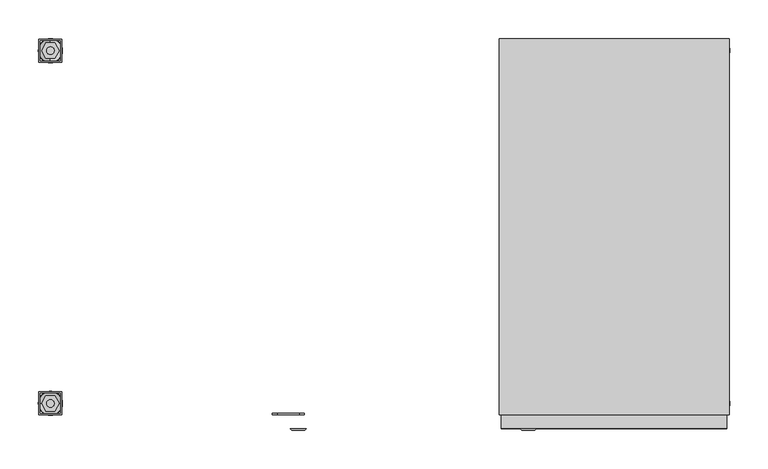
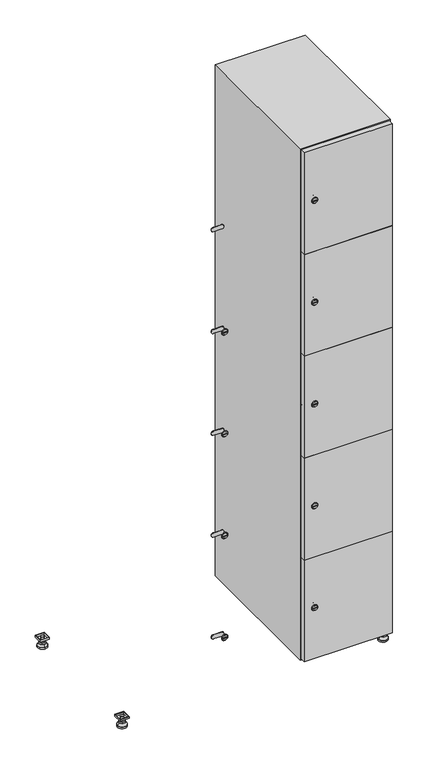
"""IFC4 building model written with IfcOpenShell, lengths in millimetres: furniture geometry."""

from ifc_helpers import new_model, si_unit, point, frame, frame_2d, origin, origin_with_axes, place, context, project, spatial, polyline, circle_curve, trimmed, segment, composite_curve, outline, extrude, faceted_brep, source, transform, mapped, element, save
from ifc_brep_helpers import plane_surface, revolved_surface, advanced_brep


def furniture_b8247e75(model_context):
    return source(origin(), model_context, "Body", "SolidModel", [
        extrude(outline(polyline([(700.0, 245.0), (700.0, 215.0), (670.0, 215.0), (670.0, 245.0), (700.0, 245.0)]), holes=[polyline([(698.0, 243.0), (672.0, 243.0), (672.0, 217.0), (698.0, 217.0), (698.0, 243.0)])]), frame((0.0, 0.0, 28.5), z_axis=(0.0, 0.0, 1.0), x_axis=(1.0, 0.0, 0.0)), (0.0, 0.0, 1.0), 6.5),
        extrude(outline(polyline([(670.0, -245.0), (670.0, -215.0), (700.0, -215.0), (700.0, -245.0), (670.0, -245.0)]), holes=[polyline([(672.0, -243.0), (698.0, -243.0), (698.0, -217.0), (672.0, -217.0), (672.0, -243.0)])]), frame((0.0, 0.0, 28.5), z_axis=(0.0, 0.0, 1.0), x_axis=(1.0, 0.0, 0.0)), (0.0, 0.0, 1.0), 6.5),
        extrude(outline(polyline([(-170.0, 245.0), (-170.0, 215.0), (-200.0, 215.0), (-200.0, 245.0), (-170.0, 245.0)]), holes=[polyline([(-172.0, 243.0), (-198.0, 243.0), (-198.0, 217.0), (-172.0, 217.0), (-172.0, 243.0)])]), frame((0.0, 0.0, 28.5), z_axis=(0.0, 0.0, 1.0), x_axis=(1.0, 0.0, 0.0)), (0.0, 0.0, 1.0), 6.5),
        extrude(outline(polyline([(-170.0, -215.0), (-170.0, -245.0), (-200.0, -245.0), (-200.0, -215.0), (-170.0, -215.0)]), holes=[polyline([(-198.0, -243.0), (-172.0, -243.0), (-172.0, -217.0), (-198.0, -217.0), (-198.0, -243.0)])]), frame((0.0, 0.0, 28.5), z_axis=(0.0, 0.0, 1.0), x_axis=(1.0, 0.0, 0.0)), (0.0, 0.0, 1.0), 6.5),
        extrude(outline(composite_curve([segment(trimmed(circle_curve(frame_2d((-185.0, 230.0)), 5.0), [point((-180.0, 230.0))], [point((-190.0, 230.0))], False, "CARTESIAN"), True, "CONTINUOUS"), segment(trimmed(circle_curve(frame_2d((-185.0, 230.0)), 5.0), [point((-190.0, 230.0))], [point((-180.0, 230.0))], False, "CARTESIAN"), True, "CONTINUOUS")], self_intersect=False)), frame((0.0, 0.0, 19.6), z_axis=(0.0, 0.0, 1.0), x_axis=(1.0, 0.0, 0.0)), (0.0, 0.0, 1.0), 15.4),
        extrude(outline(composite_curve([segment(trimmed(circle_curve(frame_2d((-185.0, -230.0)), 5.0), [point((-180.0, -230.0))], [point((-190.0, -230.0))], False, "CARTESIAN"), True, "CONTINUOUS"), segment(trimmed(circle_curve(frame_2d((-185.0, -230.0)), 5.0), [point((-190.0, -230.0))], [point((-180.0, -230.0))], False, "CARTESIAN"), True, "CONTINUOUS")], self_intersect=False)), frame((0.0, 0.0, 19.6), z_axis=(0.0, 0.0, 1.0), x_axis=(1.0, 0.0, 0.0)), (0.0, 0.0, 1.0), 15.4),
        extrude(outline(composite_curve([segment(trimmed(circle_curve(frame_2d((685.0, 230.0)), 5.0), [point((690.0, 230.0))], [point((680.0, 230.0))], False, "CARTESIAN"), True, "CONTINUOUS"), segment(trimmed(circle_curve(frame_2d((685.0, 230.0)), 5.0), [point((680.0, 230.0))], [point((690.0, 230.0))], False, "CARTESIAN"), True, "CONTINUOUS")], self_intersect=False)), frame((0.0, 0.0, 19.6), z_axis=(0.0, 0.0, 1.0), x_axis=(1.0, 0.0, 0.0)), (0.0, 0.0, 1.0), 15.4),
        extrude(outline(polyline([(673.4529946, 230.0), (679.2264973, 240.0), (690.7735027, 240.0), (696.5470054, 230.0), (690.7735027, 220.0), (679.2264973, 220.0), (673.4529946, 230.0)])), frame((0.0, 0.0, 13.6), z_axis=(0.0, 0.0, 1.0), x_axis=(1.0, 0.0, 0.0)), (0.0, 0.0, 1.0), 6.0),
        extrude(outline(composite_curve([segment(trimmed(circle_curve(frame_2d((685.0, -230.0)), 5.0), [point((690.0, -230.0))], [point((680.0, -230.0))], False, "CARTESIAN"), True, "CONTINUOUS"), segment(trimmed(circle_curve(frame_2d((685.0, -230.0)), 5.0), [point((680.0, -230.0))], [point((690.0, -230.0))], False, "CARTESIAN"), True, "CONTINUOUS")], self_intersect=False)), frame((0.0, 0.0, 19.6), z_axis=(0.0, 0.0, 1.0), x_axis=(1.0, 0.0, 0.0)), (0.0, 0.0, 1.0), 15.4),
        extrude(outline(polyline([(673.4529946, -230.0), (679.2264973, -220.0), (690.7735027, -220.0), (696.5470054, -230.0), (690.7735027, -240.0), (679.2264973, -240.0), (673.4529946, -230.0)])), frame((0.0, 0.0, 13.6), z_axis=(0.0, 0.0, 1.0), x_axis=(1.0, 0.0, 0.0)), (0.0, 0.0, 1.0), 6.0),
        extrude(outline(composite_curve([segment(trimmed(circle_curve(frame_2d((685.0, 230.0)), 5.0), [point((690.0, 230.0))], [point((680.0, 230.0))], False, "CARTESIAN"), True, "CONTINUOUS"), segment(trimmed(circle_curve(frame_2d((685.0, 230.0)), 5.0), [point((680.0, 230.0))], [point((690.0, 230.0))], False, "CARTESIAN"), True, "CONTINUOUS")], self_intersect=False)), frame((0.0, 0.0, 12.1), z_axis=(0.0, 0.0, 1.0), x_axis=(1.0, 0.0, 0.0)), (0.0, 0.0, 1.0), 1.5),
        extrude(outline(composite_curve([segment(trimmed(circle_curve(frame_2d((685.0, -230.0)), 5.0), [point((690.0, -230.0))], [point((680.0, -230.0))], False, "CARTESIAN"), True, "CONTINUOUS"), segment(trimmed(circle_curve(frame_2d((685.0, -230.0)), 5.0), [point((680.0, -230.0))], [point((690.0, -230.0))], False, "CARTESIAN"), True, "CONTINUOUS")], self_intersect=False)), frame((0.0, 0.0, 12.1), z_axis=(0.0, 0.0, 1.0), x_axis=(1.0, 0.0, 0.0)), (0.0, 0.0, 1.0), 1.5),
        extrude(outline(polyline([(-196.5470054, 230.0), (-190.7735027, 240.0), (-179.2264973, 240.0), (-173.4529946, 230.0), (-179.2264973, 220.0), (-190.7735027, 220.0), (-196.5470054, 230.0)])), frame((0.0, 0.0, 13.6), z_axis=(0.0, 0.0, 1.0), x_axis=(1.0, 0.0, 0.0)), (0.0, 0.0, 1.0), 6.0),
        extrude(outline(polyline([(-196.5470054, -230.0), (-190.7735027, -220.0), (-179.2264973, -220.0), (-173.4529946, -230.0), (-179.2264973, -240.0), (-190.7735027, -240.0), (-196.5470054, -230.0)])), frame((0.0, 0.0, 13.6), z_axis=(0.0, 0.0, 1.0), x_axis=(1.0, 0.0, 0.0)), (0.0, 0.0, 1.0), 6.0),
        extrude(outline(composite_curve([segment(trimmed(circle_curve(frame_2d((-185.0, 230.0)), 5.0), [point((-185.0, 235.0))], [point((-185.0, 225.0))], False, "CARTESIAN"), True, "CONTINUOUS"), segment(trimmed(circle_curve(frame_2d((-185.0, 230.0)), 5.0), [point((-185.0, 225.0))], [point((-185.0, 235.0))], False, "CARTESIAN"), True, "CONTINUOUS")], self_intersect=False)), frame((0.0, 0.0, 12.1), z_axis=(0.0, 0.0, 1.0), x_axis=(1.0, 0.0, 0.0)), (0.0, 0.0, 1.0), 1.5),
        extrude(outline(composite_curve([segment(trimmed(circle_curve(frame_2d((-185.0, -230.0)), 5.0), [point((-180.0, -230.0))], [point((-190.0, -230.0))], False, "CARTESIAN"), True, "CONTINUOUS"), segment(trimmed(circle_curve(frame_2d((-185.0, -230.0)), 5.0), [point((-190.0, -230.0))], [point((-180.0, -230.0))], False, "CARTESIAN"), True, "CONTINUOUS")], self_intersect=False)), frame((0.0, 0.0, 12.1), z_axis=(0.0, 0.0, 1.0), x_axis=(1.0, 0.0, 0.0)), (0.0, 0.0, 1.0), 1.5),
        extrude(outline(composite_curve([segment(trimmed(circle_curve(frame_2d((685.0, 230.0)), 15.75), [point((700.75, 230.0))], [point((669.25, 230.0))], False, "CARTESIAN"), True, "CONTINUOUS"), segment(trimmed(circle_curve(frame_2d((685.0, 230.0)), 15.75), [point((669.25, 230.0))], [point((700.75, 230.0))], False, "CARTESIAN"), True, "CONTINUOUS")], self_intersect=False)), origin_with_axes(), (0.0, 0.0, 1.0), 5.1),
        extrude(outline(composite_curve([segment(trimmed(circle_curve(frame_2d((685.0, -230.0)), 15.75), [point((685.0, -214.25))], [point((685.0, -245.75))], False, "CARTESIAN"), True, "CONTINUOUS"), segment(trimmed(circle_curve(frame_2d((685.0, -230.0)), 15.75), [point((685.0, -245.75))], [point((685.0, -214.25))], False, "CARTESIAN"), True, "CONTINUOUS")], self_intersect=False)), origin_with_axes(), (0.0, 0.0, 1.0), 5.1),
        extrude(outline(composite_curve([segment(trimmed(circle_curve(frame_2d((-185.0, -230.0)), 15.75), [point((-169.25, -230.0))], [point((-200.75, -230.0))], False, "CARTESIAN"), True, "CONTINUOUS"), segment(trimmed(circle_curve(frame_2d((-185.0, -230.0)), 15.75), [point((-200.75, -230.0))], [point((-169.25, -230.0))], False, "CARTESIAN"), True, "CONTINUOUS")], self_intersect=False)), origin_with_axes(), (0.0, 0.0, 1.0), 5.1),
        extrude(outline(composite_curve([segment(trimmed(circle_curve(frame_2d((-185.0, 230.0)), 15.75), [point((-169.25, 230.0))], [point((-200.75, 230.0))], False, "CARTESIAN"), True, "CONTINUOUS"), segment(trimmed(circle_curve(frame_2d((-185.0, 230.0)), 15.75), [point((-200.75, 230.0))], [point((-169.25, 230.0))], False, "CARTESIAN"), True, "CONTINUOUS")], self_intersect=False)), origin_with_axes(), (0.0, 0.0, 1.0), 5.1),
        advanced_brep(
        [(-185.0, 239.5, 12.1), (-185.0, 220.5, 12.1), (-185.0, 214.25, 5.1), (-185.0, 245.75, 5.1)],
        [
            (0, 1, circle_curve(frame((-185.0, 230.0, 12.1), z_axis=(0.0, 0.0, -1.0), x_axis=(0.0, 1.0, 0.0)), 9.5)),
            (1, 2),
            (2, 3, circle_curve(frame((-185.0, 230.0, 5.1), z_axis=(0.0, 0.0, 1.0), x_axis=(0.0, 1.0, 0.0)), 15.75)),
            (3, 0),
            (1, 0, circle_curve(frame((-185.0, 230.0, 12.1), z_axis=(0.0, 0.0, -1.0), x_axis=(0.0, -1.0, 0.0)), 9.5)),
            (3, 2, circle_curve(frame((-185.0, 230.0, 5.1), z_axis=(0.0, 0.0, 1.0), x_axis=(0.0, -1.0, 0.0)), 15.75)),
        ],
        [
            revolved_surface(polyline([(-185.0, 220.5, 12.099999999999998), (-185.0, 214.25, 5.099999999999998)]), (-185.0, 230.0, 22.74), (0.0, 0.0, -1.0)),
            revolved_surface(polyline([(-185.0, 239.5, 12.099999999999998), (-185.0, 245.75, 5.099999999999998)]), (-185.0, 230.0, 22.74), (0.0, 0.0, -1.0)),
            plane_surface(frame((-185.0, 230.0, 5.1), z_axis=(0.0, 0.0, -1.0), x_axis=(1.0, 0.0, 0.0))),
            plane_surface(frame((-185.0, 230.0, 12.1), z_axis=(0.0, 0.0, 1.0), x_axis=(1.0, 0.0, 0.0))),
        ],
        [
            (0, [[1, 2, 3, 4]]),
            (1, [[5, -4, 6, -2]]),
            (2, [[-3, -6]]),
            (3, [[-5, -1]]),
        ],
    ),
        advanced_brep(
        [(685.0, 239.5, 12.1), (685.0, 220.5, 12.1), (685.0, 214.25, 5.1), (685.0, 245.75, 5.1)],
        [
            (0, 1, circle_curve(frame((685.0, 230.0, 12.1), z_axis=(0.0, 0.0, -1.0), x_axis=(0.0, 1.0, 0.0)), 9.5)),
            (1, 2),
            (2, 3, circle_curve(frame((685.0, 230.0, 5.1), z_axis=(0.0, 0.0, 1.0), x_axis=(0.0, 1.0, 0.0)), 15.75)),
            (3, 0),
            (1, 0, circle_curve(frame((685.0, 230.0, 12.1), z_axis=(0.0, 0.0, -1.0), x_axis=(0.0, -1.0, 0.0)), 9.5)),
            (3, 2, circle_curve(frame((685.0, 230.0, 5.1), z_axis=(0.0, 0.0, 1.0), x_axis=(0.0, -1.0, 0.0)), 15.75)),
        ],
        [
            revolved_surface(polyline([(685.0, 220.5, 12.099999999999998), (685.0, 214.25, 5.099999999999998)]), (685.0, 230.0, 22.74), (0.0, 0.0, -1.0)),
            revolved_surface(polyline([(685.0, 239.5, 12.099999999999998), (685.0, 245.75, 5.099999999999998)]), (685.0, 230.0, 22.74), (0.0, 0.0, -1.0)),
            plane_surface(frame((685.0, 230.0, 5.1), z_axis=(0.0, 0.0, -1.0), x_axis=(1.0, 0.0, 0.0))),
            plane_surface(frame((685.0, 230.0, 12.1), z_axis=(0.0, 0.0, 1.0), x_axis=(1.0, 0.0, 0.0))),
        ],
        [
            (0, [[1, 2, 3, 4]]),
            (1, [[5, -4, 6, -2]]),
            (2, [[-3, -6]]),
            (3, [[-5, -1]]),
        ],
    ),
        advanced_brep(
        [(700.75, -230.0, 5.1), (669.25, -230.0, 5.1), (675.5, -230.0, 12.1), (694.5, -230.0, 12.1)],
        [
            (0, 1, circle_curve(frame((685.0, -230.0, 5.1), z_axis=(0.0, 0.0, 1.0), x_axis=(1.0, 0.0, 0.0)), 15.75)),
            (1, 2),
            (2, 3, circle_curve(frame((685.0, -230.0, 12.1), z_axis=(0.0, 0.0, -1.0), x_axis=(1.0, 0.0, 0.0)), 9.5)),
            (3, 0),
            (1, 0, circle_curve(frame((685.0, -230.0, 5.1), z_axis=(0.0, 0.0, 1.0), x_axis=(-1.0, 0.0, 0.0)), 15.75)),
            (3, 2, circle_curve(frame((685.0, -230.0, 12.1), z_axis=(0.0, 0.0, -1.0), x_axis=(-1.0, 0.0, 0.0)), 9.5)),
        ],
        [
            revolved_surface(polyline([(694.5, -230.0, 12.099999999999998), (700.75, -230.0, 5.099999999999998)]), (685.0, -230.0, 22.74), (0.0, 0.0, -1.0)),
            revolved_surface(polyline([(675.5, -230.0, 12.099999999999998), (669.25, -230.0, 5.099999999999998)]), (685.0, -230.0, 22.74), (0.0, 0.0, -1.0)),
            plane_surface(frame((685.0, -230.0, 12.1), z_axis=(0.0, 0.0, 1.0), x_axis=(0.0, 1.0, 0.0))),
            plane_surface(frame((685.0, -230.0, 5.1), z_axis=(0.0, 0.0, -1.0), x_axis=(0.0, 1.0, 0.0))),
        ],
        [
            (0, [[1, 2, 3, 4]]),
            (1, [[5, -4, 6, -2]]),
            (2, [[-3, -6]]),
            (3, [[-5, -1]]),
        ],
    ),
        advanced_brep(
        [(-169.25, -230.0, 5.1), (-200.75, -230.0, 5.1), (-194.5, -230.0, 12.1), (-175.5, -230.0, 12.1)],
        [
            (0, 1, circle_curve(frame((-185.0, -230.0, 5.1), z_axis=(0.0, 0.0, 1.0), x_axis=(1.0, 0.0, 0.0)), 15.75)),
            (1, 2),
            (2, 3, circle_curve(frame((-185.0, -230.0, 12.1), z_axis=(0.0, 0.0, -1.0), x_axis=(1.0, 0.0, 0.0)), 9.5)),
            (3, 0),
            (1, 0, circle_curve(frame((-185.0, -230.0, 5.1), z_axis=(0.0, 0.0, 1.0), x_axis=(-1.0, 0.0, 0.0)), 15.75)),
            (3, 2, circle_curve(frame((-185.0, -230.0, 12.1), z_axis=(0.0, 0.0, -1.0), x_axis=(-1.0, 0.0, 0.0)), 9.5)),
        ],
        [
            revolved_surface(polyline([(-175.5, -230.0, 12.099999999999998), (-169.25, -230.0, 5.099999999999998)]), (-185.0, -230.0, 22.74), (0.0, 0.0, -1.0)),
            revolved_surface(polyline([(-194.5, -230.0, 12.099999999999998), (-200.75, -230.0, 5.099999999999998)]), (-185.0, -230.0, 22.74), (0.0, 0.0, -1.0)),
            plane_surface(frame((-185.0, -230.0, 12.1), z_axis=(0.0, 0.0, 1.0), x_axis=(0.0, 1.0, 0.0))),
            plane_surface(frame((-185.0, -230.0, 5.1), z_axis=(0.0, 0.0, -1.0), x_axis=(0.0, 1.0, 0.0))),
        ],
        [
            (0, [[1, 2, 3, 4]]),
            (1, [[5, -4, 6, -2]]),
            (2, [[-3, -6]]),
            (3, [[-5, -1]]),
        ],
    ),
        extrude(outline(composite_curve([segment(trimmed(circle_curve(frame_2d((217.4, 411.2010534)), 7.0), [point((224.4, 411.2010534))], [point((210.4, 411.2010534))], False, "CARTESIAN"), True, "CONTINUOUS"), segment(polyline([(210.4, 411.2010534), (210.4, 439.2010534)]), True, "CONTINUOUS"), segment(trimmed(circle_curve(frame_2d((217.4, 439.2010534)), 7.0), [point((210.4, 439.2010534))], [point((224.4, 439.2010534))], False, "CARTESIAN"), True, "CONTINUOUS"), segment(polyline([(224.4, 439.2010534), (224.4, 411.2010534)]), True, "CONTINUOUS")], self_intersect=False)), frame((0.0, -245.0, 0.0), z_axis=(0.0, 1.0, 0.0), x_axis=(0.0, 0.0, 1.0)), (0.0, 0.0, 1.0), 2.0),
        advanced_brep(
        [(446.5, -265.2, 217.4), (429.5, -265.2, 217.4), (433.0, -265.2, 216.15), (433.0, -265.2, 218.65), (443.0, -265.2, 218.65), (443.0, -265.2, 216.15), (448.5, -263.0, 217.4), (427.5, -263.0, 217.4), (433.0, -263.0, 218.65), (433.0, -263.0, 216.15), (443.0, -263.0, 216.15), (443.0, -263.0, 218.65)],
        [
            (0, 1, circle_curve(frame((438.0, -265.2, 217.4), z_axis=(0.0, -1.0, 0.0), x_axis=(1.0, 0.0, 0.0)), 8.5)),
            (1, 0, circle_curve(frame((438.0, -265.2, 217.4), z_axis=(0.0, -1.0, 0.0), x_axis=(-1.0, 0.0, 0.0)), 8.5)),
            (2, 3),
            (3, 4),
            (4, 5),
            (5, 2),
            (6, 7, circle_curve(frame((438.0, -263.0, 217.4), z_axis=(0.0, 1.0, 0.0), x_axis=(-1.0, 0.0, 0.0)), 10.5)),
            (7, 6, circle_curve(frame((438.0, -263.0, 217.4), z_axis=(0.0, 1.0, 0.0), x_axis=(1.0, 0.0, 0.0)), 10.5)),
            (8, 9),
            (9, 10),
            (10, 11),
            (11, 8),
            (0, 6),
            (7, 1),
            (8, 3),
            (2, 9),
            (11, 4),
            (10, 5),
        ],
        [
            plane_surface(frame((438.0, -265.2, 217.4), z_axis=(0.0, -1.0, 0.0), x_axis=(0.0, 0.0, 1.0))),
            plane_surface(frame((438.0, -263.0, 217.4), z_axis=(0.0, 1.0, 0.0), x_axis=(0.0, 0.0, 1.0))),
            revolved_surface(polyline([(446.5, -265.2, 217.4), (448.5, -263.0, 217.4)]), (438.0, -274.55, 217.4), (0.0, 1.0, 0.0)),
            revolved_surface(polyline([(429.5, -265.2, 217.4), (427.5, -263.0, 217.4)]), (438.0, -274.55, 217.4), (0.0, 1.0, 0.0)),
            plane_surface(frame((433.0, -263.0, 216.15), z_axis=(1.0, 0.0, 0.0), x_axis=(0.0, -1.0, 0.0))),
            plane_surface(frame((433.0, -263.0, 218.65), z_axis=(0.0, 0.0, -1.0), x_axis=(0.0, -1.0, 0.0))),
            plane_surface(frame((443.0, -263.0, 218.65), z_axis=(-1.0, 0.0, 0.0), x_axis=(0.0, -1.0, 0.0))),
            plane_surface(frame((443.0, -263.0, 216.15), z_axis=(0.0, 0.0, 1.0), x_axis=(0.0, -1.0, 0.0))),
        ],
        [
            (0, [[1, 2], [3, 4, 5, 6]]),
            (1, [[7, 8], [9, 10, 11, 12]]),
            (2, [[-1, 13, -8, 14]]),
            (3, [[-2, -14, -7, -13]]),
            (4, [[15, -3, 16, -9]]),
            (5, [[-15, -12, 17, -4]]),
            (6, [[-17, -11, 18, -5]]),
            (7, [[-16, -6, -18, -10]]),
        ],
    ),
        extrude(outline(composite_curve([segment(trimmed(circle_curve(frame_2d((576.2, 411.2010534)), 7.0), [point((583.2, 411.2010534))], [point((569.2, 411.2010534))], False, "CARTESIAN"), True, "CONTINUOUS"), segment(polyline([(569.2, 411.2010534), (569.2, 439.2010534)]), True, "CONTINUOUS"), segment(trimmed(circle_curve(frame_2d((576.2, 439.2010534)), 7.0), [point((569.2, 439.2010534))], [point((583.2, 439.2010534))], False, "CARTESIAN"), True, "CONTINUOUS"), segment(polyline([(583.2, 439.2010534), (583.2, 411.2010534)]), True, "CONTINUOUS")], self_intersect=False)), frame((0.0, -245.0, 0.0), z_axis=(0.0, 1.0, 0.0), x_axis=(0.0, 0.0, 1.0)), (0.0, 0.0, 1.0), 2.0),
        advanced_brep(
        [(446.5, -265.2, 576.2), (429.5, -265.2, 576.2), (433.0, -265.2, 574.95), (433.0, -265.2, 577.45), (443.0, -265.2, 577.45), (443.0, -265.2, 574.95), (448.5, -263.0, 576.2), (427.5, -263.0, 576.2), (433.0, -263.0, 577.45), (433.0, -263.0, 574.95), (443.0, -263.0, 574.95), (443.0, -263.0, 577.45)],
        [
            (0, 1, circle_curve(frame((438.0, -265.2, 576.2), z_axis=(0.0, -1.0, 0.0), x_axis=(1.0, 0.0, 0.0)), 8.5)),
            (1, 0, circle_curve(frame((438.0, -265.2, 576.2), z_axis=(0.0, -1.0, 0.0), x_axis=(-1.0, 0.0, 0.0)), 8.5)),
            (2, 3),
            (3, 4),
            (4, 5),
            (5, 2),
            (6, 7, circle_curve(frame((438.0, -263.0, 576.2), z_axis=(0.0, 1.0, 0.0), x_axis=(-1.0, 0.0, 0.0)), 10.5)),
            (7, 6, circle_curve(frame((438.0, -263.0, 576.2), z_axis=(0.0, 1.0, 0.0), x_axis=(1.0, 0.0, 0.0)), 10.5)),
            (8, 9),
            (9, 10),
            (10, 11),
            (11, 8),
            (0, 6),
            (7, 1),
            (8, 3),
            (2, 9),
            (11, 4),
            (10, 5),
        ],
        [
            plane_surface(frame((438.0, -265.2, 576.2), z_axis=(0.0, -1.0, 0.0), x_axis=(0.0, 0.0, 1.0))),
            plane_surface(frame((438.0, -263.0, 576.2), z_axis=(0.0, 1.0, 0.0), x_axis=(0.0, 0.0, 1.0))),
            revolved_surface(polyline([(446.5, -265.2, 576.2), (448.5, -263.0, 576.2)]), (438.0, -274.55, 576.2), (0.0, 1.0, 0.0)),
            revolved_surface(polyline([(429.5, -265.2, 576.2), (427.5, -263.0, 576.2)]), (438.0, -274.55, 576.2), (0.0, 1.0, 0.0)),
            plane_surface(frame((433.0, -263.0, 574.95), z_axis=(1.0, 0.0, 0.0), x_axis=(0.0, -1.0, 0.0))),
            plane_surface(frame((433.0, -263.0, 577.45), z_axis=(0.0, 0.0, -1.0), x_axis=(0.0, -1.0, 0.0))),
            plane_surface(frame((443.0, -263.0, 577.45), z_axis=(-1.0, 0.0, 0.0), x_axis=(0.0, -1.0, 0.0))),
            plane_surface(frame((443.0, -263.0, 574.95), z_axis=(0.0, 0.0, 1.0), x_axis=(0.0, -1.0, 0.0))),
        ],
        [
            (0, [[1, 2], [3, 4, 5, 6]]),
            (1, [[7, 8], [9, 10, 11, 12]]),
            (2, [[-1, 13, -8, 14]]),
            (3, [[-2, -14, -7, -13]]),
            (4, [[15, -3, 16, -9]]),
            (5, [[-15, -12, 17, -4]]),
            (6, [[-17, -11, 18, -5]]),
            (7, [[-16, -6, -18, -10]]),
        ],
    ),
        extrude(outline(composite_curve([segment(trimmed(circle_curve(frame_2d((935.0, 411.2010534)), 7.0), [point((942.0, 411.2010534))], [point((928.0, 411.2010534))], False, "CARTESIAN"), True, "CONTINUOUS"), segment(polyline([(928.0, 411.2010534), (928.0, 439.2010534)]), True, "CONTINUOUS"), segment(trimmed(circle_curve(frame_2d((935.0, 439.2010534)), 7.0), [point((928.0, 439.2010534))], [point((942.0, 439.2010534))], False, "CARTESIAN"), True, "CONTINUOUS"), segment(polyline([(942.0, 439.2010534), (942.0, 411.2010534)]), True, "CONTINUOUS")], self_intersect=False)), frame((0.0, -245.0, 0.0), z_axis=(0.0, 1.0, 0.0), x_axis=(0.0, 0.0, 1.0)), (0.0, 0.0, 1.0), 2.0),
        advanced_brep(
        [(446.5, -265.2, 935.0), (429.5, -265.2, 935.0), (433.0, -265.2, 933.75), (433.0, -265.2, 936.25), (443.0, -265.2, 936.25), (443.0, -265.2, 933.75), (448.5, -263.0, 935.0), (427.5, -263.0, 935.0), (433.0, -263.0, 936.25), (433.0, -263.0, 933.75), (443.0, -263.0, 933.75), (443.0, -263.0, 936.25)],
        [
            (0, 1, circle_curve(frame((438.0, -265.2, 935.0), z_axis=(0.0, -1.0, 0.0), x_axis=(1.0, 0.0, 0.0)), 8.5)),
            (1, 0, circle_curve(frame((438.0, -265.2, 935.0), z_axis=(0.0, -1.0, 0.0), x_axis=(-1.0, 0.0, 0.0)), 8.5)),
            (2, 3),
            (3, 4),
            (4, 5),
            (5, 2),
            (6, 7, circle_curve(frame((438.0, -263.0, 935.0), z_axis=(0.0, 1.0, 0.0), x_axis=(-1.0, 0.0, 0.0)), 10.5)),
            (7, 6, circle_curve(frame((438.0, -263.0, 935.0), z_axis=(0.0, 1.0, 0.0), x_axis=(1.0, 0.0, 0.0)), 10.5)),
            (8, 9),
            (9, 10),
            (10, 11),
            (11, 8),
            (0, 6),
            (7, 1),
            (8, 3),
            (2, 9),
            (11, 4),
            (10, 5),
        ],
        [
            plane_surface(frame((438.0, -265.2, 935.0), z_axis=(0.0, -1.0, 0.0), x_axis=(0.0, 0.0, 1.0))),
            plane_surface(frame((438.0, -263.0, 935.0), z_axis=(0.0, 1.0, 0.0), x_axis=(0.0, 0.0, 1.0))),
            revolved_surface(polyline([(446.5, -265.2, 935.0), (448.5, -263.0, 935.0)]), (438.0, -274.55, 935.0), (0.0, 1.0, 0.0)),
            revolved_surface(polyline([(429.5, -265.2, 935.0), (427.5, -263.0, 935.0)]), (438.0, -274.55, 935.0), (0.0, 1.0, 0.0)),
            plane_surface(frame((433.0, -263.0, 933.75), z_axis=(1.0, 0.0, 0.0), x_axis=(0.0, -1.0, 0.0))),
            plane_surface(frame((433.0, -263.0, 936.25), z_axis=(0.0, 0.0, -1.0), x_axis=(0.0, -1.0, 0.0))),
            plane_surface(frame((443.0, -263.0, 936.25), z_axis=(-1.0, 0.0, 0.0), x_axis=(0.0, -1.0, 0.0))),
            plane_surface(frame((443.0, -263.0, 933.75), z_axis=(0.0, 0.0, 1.0), x_axis=(0.0, -1.0, 0.0))),
        ],
        [
            (0, [[1, 2], [3, 4, 5, 6]]),
            (1, [[7, 8], [9, 10, 11, 12]]),
            (2, [[-1, 13, -8, 14]]),
            (3, [[-2, -14, -7, -13]]),
            (4, [[15, -3, 16, -9]]),
            (5, [[-15, -12, 17, -4]]),
            (6, [[-17, -11, 18, -5]]),
            (7, [[-16, -6, -18, -10]]),
        ],
    ),
        extrude(outline(composite_curve([segment(trimmed(circle_curve(frame_2d((1293.8, 411.2010534)), 7.0), [point((1300.8, 411.2010534))], [point((1286.8, 411.2010534))], False, "CARTESIAN"), True, "CONTINUOUS"), segment(polyline([(1286.8, 411.2010534), (1286.8, 439.2010534)]), True, "CONTINUOUS"), segment(trimmed(circle_curve(frame_2d((1293.8, 439.2010534)), 7.0), [point((1286.8, 439.2010534))], [point((1300.8, 439.2010534))], False, "CARTESIAN"), True, "CONTINUOUS"), segment(polyline([(1300.8, 439.2010534), (1300.8, 411.2010534)]), True, "CONTINUOUS")], self_intersect=False)), frame((0.0, -245.0, 0.0), z_axis=(0.0, 1.0, 0.0), x_axis=(0.0, 0.0, 1.0)), (0.0, 0.0, 1.0), 2.0),
        advanced_brep(
        [(446.5, -265.2, 1293.8), (429.5, -265.2, 1293.8), (433.0, -265.2, 1292.55), (433.0, -265.2, 1295.05), (443.0, -265.2, 1295.05), (443.0, -265.2, 1292.55), (448.5, -263.0, 1293.8), (427.5, -263.0, 1293.8), (433.0, -263.0, 1295.05), (433.0, -263.0, 1292.55), (443.0, -263.0, 1292.55), (443.0, -263.0, 1295.05)],
        [
            (0, 1, circle_curve(frame((438.0, -265.2, 1293.8), z_axis=(0.0, -1.0, 0.0), x_axis=(1.0, 0.0, 0.0)), 8.5)),
            (1, 0, circle_curve(frame((438.0, -265.2, 1293.8), z_axis=(0.0, -1.0, 0.0), x_axis=(-1.0, 0.0, 0.0)), 8.5)),
            (2, 3),
            (3, 4),
            (4, 5),
            (5, 2),
            (6, 7, circle_curve(frame((438.0, -263.0, 1293.8), z_axis=(0.0, 1.0, 0.0), x_axis=(-1.0, 0.0, 0.0)), 10.5)),
            (7, 6, circle_curve(frame((438.0, -263.0, 1293.8), z_axis=(0.0, 1.0, 0.0), x_axis=(1.0, 0.0, 0.0)), 10.5)),
            (8, 9),
            (9, 10),
            (10, 11),
            (11, 8),
            (0, 6),
            (7, 1),
            (8, 3),
            (2, 9),
            (11, 4),
            (10, 5),
        ],
        [
            plane_surface(frame((438.0, -265.2, 1293.8), z_axis=(0.0, -1.0, 0.0), x_axis=(0.0, 0.0, 1.0))),
            plane_surface(frame((438.0, -263.0, 1293.8), z_axis=(0.0, 1.0, 0.0), x_axis=(0.0, 0.0, 1.0))),
            revolved_surface(polyline([(446.5, -265.2, 1293.8), (448.5, -263.0, 1293.8)]), (438.0, -274.55, 1293.8), (0.0, 1.0, 0.0)),
            revolved_surface(polyline([(429.5, -265.2, 1293.8), (427.5, -263.0, 1293.8)]), (438.0, -274.55, 1293.8), (0.0, 1.0, 0.0)),
            plane_surface(frame((433.0, -263.0, 1292.55), z_axis=(1.0, 0.0, 0.0), x_axis=(0.0, -1.0, 0.0))),
            plane_surface(frame((433.0, -263.0, 1295.05), z_axis=(0.0, 0.0, -1.0), x_axis=(0.0, -1.0, 0.0))),
            plane_surface(frame((443.0, -263.0, 1295.05), z_axis=(-1.0, 0.0, 0.0), x_axis=(0.0, -1.0, 0.0))),
            plane_surface(frame((443.0, -263.0, 1292.55), z_axis=(0.0, 0.0, 1.0), x_axis=(0.0, -1.0, 0.0))),
        ],
        [
            (0, [[1, 2], [3, 4, 5, 6]]),
            (1, [[7, 8], [9, 10, 11, 12]]),
            (2, [[-1, 13, -8, 14]]),
            (3, [[-2, -14, -7, -13]]),
            (4, [[15, -3, 16, -9]]),
            (5, [[-15, -12, 17, -4]]),
            (6, [[-17, -11, 18, -5]]),
            (7, [[-16, -6, -18, -10]]),
        ],
    ),
        extrude(outline(composite_curve([segment(trimmed(circle_curve(frame_2d((1652.6, 411.2010534)), 7.0), [point((1659.6, 411.2010534))], [point((1645.6, 411.2010534))], False, "CARTESIAN"), True, "CONTINUOUS"), segment(polyline([(1645.6, 411.2010534), (1645.6, 439.2010534)]), True, "CONTINUOUS"), segment(trimmed(circle_curve(frame_2d((1652.6, 439.2010534)), 7.0), [point((1645.6, 439.2010534))], [point((1659.6, 439.2010534))], False, "CARTESIAN"), True, "CONTINUOUS"), segment(polyline([(1659.6, 439.2010534), (1659.6, 411.2010534)]), True, "CONTINUOUS")], self_intersect=False)), frame((0.0, -245.0, 0.0), z_axis=(0.0, 1.0, 0.0), x_axis=(0.0, 0.0, 1.0)), (0.0, 0.0, 1.0), 2.0),
        advanced_brep(
        [(446.5, -265.2, 1652.6), (429.5, -265.2, 1652.6), (433.0, -265.2, 1651.35), (433.0, -265.2, 1653.85), (443.0, -265.2, 1653.85), (443.0, -265.2, 1651.35), (448.5, -263.0, 1652.6), (427.5, -263.0, 1652.6), (433.0, -263.0, 1653.85), (433.0, -263.0, 1651.35), (443.0, -263.0, 1651.35), (443.0, -263.0, 1653.85)],
        [
            (0, 1, circle_curve(frame((438.0, -265.2, 1652.6), z_axis=(0.0, -1.0, 0.0), x_axis=(1.0, 0.0, 0.0)), 8.5)),
            (1, 0, circle_curve(frame((438.0, -265.2, 1652.6), z_axis=(0.0, -1.0, 0.0), x_axis=(-1.0, 0.0, 0.0)), 8.5)),
            (2, 3),
            (3, 4),
            (4, 5),
            (5, 2),
            (6, 7, circle_curve(frame((438.0, -263.0, 1652.6), z_axis=(0.0, 1.0, 0.0), x_axis=(-1.0, 0.0, 0.0)), 10.5)),
            (7, 6, circle_curve(frame((438.0, -263.0, 1652.6), z_axis=(0.0, 1.0, 0.0), x_axis=(1.0, 0.0, 0.0)), 10.5)),
            (8, 9),
            (9, 10),
            (10, 11),
            (11, 8),
            (0, 6),
            (7, 1),
            (8, 3),
            (2, 9),
            (11, 4),
            (10, 5),
        ],
        [
            plane_surface(frame((438.0, -265.2, 1652.6), z_axis=(0.0, -1.0, 0.0), x_axis=(0.0, 0.0, 1.0))),
            plane_surface(frame((438.0, -263.0, 1652.6), z_axis=(0.0, 1.0, 0.0), x_axis=(0.0, 0.0, 1.0))),
            revolved_surface(polyline([(446.5, -265.2, 1652.6), (448.5, -263.0, 1652.6)]), (438.0, -274.55, 1652.6), (0.0, 1.0, 0.0)),
            revolved_surface(polyline([(429.5, -265.2, 1652.6), (427.5, -263.0, 1652.6)]), (438.0, -274.55, 1652.6), (0.0, 1.0, 0.0)),
            plane_surface(frame((433.0, -263.0, 1651.35), z_axis=(1.0, 0.0, 0.0), x_axis=(0.0, -1.0, 0.0))),
            plane_surface(frame((433.0, -263.0, 1653.85), z_axis=(0.0, 0.0, -1.0), x_axis=(0.0, -1.0, 0.0))),
            plane_surface(frame((443.0, -263.0, 1653.85), z_axis=(-1.0, 0.0, 0.0), x_axis=(0.0, -1.0, 0.0))),
            plane_surface(frame((443.0, -263.0, 1651.35), z_axis=(0.0, 0.0, 1.0), x_axis=(0.0, -1.0, 0.0))),
        ],
        [
            (0, [[1, 2], [3, 4, 5, 6]]),
            (1, [[7, 8], [9, 10, 11, 12]]),
            (2, [[-1, 13, -8, 14]]),
            (3, [[-2, -14, -7, -13]]),
            (4, [[15, -3, 16, -9]]),
            (5, [[-15, -12, 17, -4]]),
            (6, [[-17, -11, 18, -5]]),
            (7, [[-16, -6, -18, -10]]),
        ],
    ),
        extrude(outline(polyline([(697.0, -245.0), (697.0, -263.0), (403.0, -263.0), (403.0, -245.0), (697.0, -245.0)])), frame((0.0, 0.0, 755.1), z_axis=(0.0, 0.0, 1.0), x_axis=(1.0, 0.0, 0.0)), (0.0, 0.0, 1.0), 359.8),
        extrude(outline(polyline([(697.0, -245.0), (697.0, -263.0), (403.0, -263.0), (403.0, -245.0), (697.0, -245.0)])), frame((0.0, 0.0, 396.3), z_axis=(0.0, 0.0, 1.0), x_axis=(1.0, 0.0, 0.0)), (0.0, 0.0, 1.0), 359.8),
        extrude(outline(polyline([(697.0, -245.0), (697.0, -263.0), (403.0, -263.0), (403.0, -245.0), (697.0, -245.0)])), frame((0.0, 0.0, 1113.9), z_axis=(0.0, 0.0, 1.0), x_axis=(1.0, 0.0, 0.0)), (0.0, 0.0, 1.0), 358.8),
        extrude(outline(polyline([(403.0, -263.0), (403.0, -245.0), (697.0, -245.0), (697.0, -263.0), (403.0, -263.0)])), frame((0.0, 0.0, 1473.7), z_axis=(0.0, 0.0, 1.0), x_axis=(1.0, 0.0, 0.0)), (0.0, 0.0, 1.0), 358.3),
        extrude(outline(polyline([(697.0, -245.0), (697.0, -263.0), (403.0, -263.0), (403.0, -245.0), (697.0, -245.0)])), frame((0.0, 0.0, 38.0), z_axis=(0.0, 0.0, 1.0), x_axis=(1.0, 0.0, 0.0)), (0.0, 0.0, 1.0), 359.3),
        extrude(outline(polyline([(679.6, 242.0), (679.6, -227.0), (420.4, -227.0), (420.4, 242.0), (679.6, 242.0)])), frame((0.0, 0.0, 1446.68), z_axis=(0.0, 0.0, 1.0), x_axis=(1.0, 0.0, 0.0)), (0.0, 0.0, 1.0), 20.4),
        extrude(outline(polyline([(679.6, 242.0), (679.6, -227.0), (420.4, -227.0), (420.4, 242.0), (679.6, 242.0)])), frame((0.0, 0.0, 1098.76), z_axis=(0.0, 0.0, 1.0), x_axis=(1.0, 0.0, 0.0)), (0.0, 0.0, 1.0), 20.4),
        extrude(outline(polyline([(679.6, 242.0), (679.6, -227.0), (420.4, -227.0), (420.4, 242.0), (679.6, 242.0)])), frame((0.0, 0.0, 750.84), z_axis=(0.0, 0.0, 1.0), x_axis=(1.0, 0.0, 0.0)), (0.0, 0.0, 1.0), 20.4),
        extrude(outline(polyline([(420.4, 242.0), (679.6, 242.0), (679.6, -227.0), (420.4, -227.0), (420.4, 242.0)])), frame((0.0, 0.0, 402.92), z_axis=(0.0, 0.0, 1.0), x_axis=(1.0, 0.0, 0.0)), (0.0, 0.0, 1.0), 20.4),
        faceted_brep([(700.0, -245.0, 35.0), (700.0, -245.0, 1835.0), (400.0, -245.0, 1835.0), (400.0, -245.0, 35.0), (679.6, -245.0, 1804.8), (679.6, -245.0, 65.2), (420.4, -245.0, 65.2), (420.4, -245.0, 1804.8), (700.0, 245.0, 35.0), (400.0, 245.0, 35.0), (700.0, 245.0, 1835.0), (400.0, 245.0, 1835.0), (679.6, 242.0, 1804.8), (679.6, 242.0, 65.2), (400.0, 245.0, 1804.8), (420.4, 242.0, 1804.8), (420.4, 242.0, 65.2)], [[[0, 1, 2, 3], [4, 5, 6, 7]], [[8, 0, 3, 9]], [[1, 0, 8, 10]], [[1, 10, 11, 2]], [[4, 12, 13, 5]], [[9, 3, 2, 11, 14]], [[10, 8, 9, 14, 11]], [[12, 15, 16, 13]], [[15, 7, 6, 16]], [[4, 7, 15, 12]], [[6, 5, 13, 16]]]),
        extrude(outline(composite_curve([segment(trimmed(circle_curve(frame_2d((217.4, 111.2010534)), 7.0), [point((224.4, 111.2010534))], [point((210.4, 111.2010534))], False, "CARTESIAN"), True, "CONTINUOUS"), segment(polyline([(210.4, 111.2010534), (210.4, 139.2010534)]), True, "CONTINUOUS"), segment(trimmed(circle_curve(frame_2d((217.4, 139.2010534)), 7.0), [point((210.4, 139.2010534))], [point((224.4, 139.2010534))], False, "CARTESIAN"), True, "CONTINUOUS"), segment(polyline([(224.4, 139.2010534), (224.4, 111.2010534)]), True, "CONTINUOUS")], self_intersect=False)), frame((0.0, -245.0, 0.0), z_axis=(0.0, 1.0, 0.0), x_axis=(0.0, 0.0, 1.0)), (0.0, 0.0, 1.0), 2.0),
        advanced_brep(
        [(146.5, -265.2, 217.4), (129.5, -265.2, 217.4), (133.0, -265.2, 216.15), (133.0, -265.2, 218.65), (143.0, -265.2, 218.65), (143.0, -265.2, 216.15), (148.5, -263.0, 217.4), (127.5, -263.0, 217.4), (133.0, -263.0, 218.65), (133.0, -263.0, 216.15), (143.0, -263.0, 216.15), (143.0, -263.0, 218.65)],
        [
            (0, 1, circle_curve(frame((138.0, -265.2, 217.4), z_axis=(0.0, -1.0, 0.0), x_axis=(1.0, 0.0, 0.0)), 8.5)),
            (1, 0, circle_curve(frame((138.0, -265.2, 217.4), z_axis=(0.0, -1.0, 0.0), x_axis=(-1.0, 0.0, 0.0)), 8.5)),
            (2, 3),
            (3, 4),
            (4, 5),
            (5, 2),
            (6, 7, circle_curve(frame((138.0, -263.0, 217.4), z_axis=(0.0, 1.0, 0.0), x_axis=(-1.0, 0.0, 0.0)), 10.5)),
            (7, 6, circle_curve(frame((138.0, -263.0, 217.4), z_axis=(0.0, 1.0, 0.0), x_axis=(1.0, 0.0, 0.0)), 10.5)),
            (8, 9),
            (9, 10),
            (10, 11),
            (11, 8),
            (0, 6),
            (7, 1),
            (8, 3),
            (2, 9),
            (11, 4),
            (10, 5),
        ],
        [
            plane_surface(frame((138.0, -265.2, 217.4), z_axis=(0.0, -1.0, 0.0), x_axis=(0.0, 0.0, 1.0))),
            plane_surface(frame((138.0, -263.0, 217.4), z_axis=(0.0, 1.0, 0.0), x_axis=(0.0, 0.0, 1.0))),
            revolved_surface(polyline([(146.5, -265.2, 217.4), (148.5, -263.0, 217.4)]), (138.0, -274.55, 217.4), (0.0, 1.0, 0.0)),
            revolved_surface(polyline([(129.5, -265.2, 217.4), (127.5, -263.0, 217.4)]), (138.0, -274.55, 217.4), (0.0, 1.0, 0.0)),
            plane_surface(frame((133.0, -263.0, 216.15), z_axis=(1.0, 0.0, 0.0), x_axis=(0.0, -1.0, 0.0))),
            plane_surface(frame((133.0, -263.0, 218.65), z_axis=(0.0, 0.0, -1.0), x_axis=(0.0, -1.0, 0.0))),
            plane_surface(frame((143.0, -263.0, 218.65), z_axis=(-1.0, 0.0, 0.0), x_axis=(0.0, -1.0, 0.0))),
            plane_surface(frame((143.0, -263.0, 216.15), z_axis=(0.0, 0.0, 1.0), x_axis=(0.0, -1.0, 0.0))),
        ],
        [
            (0, [[1, 2], [3, 4, 5, 6]]),
            (1, [[7, 8], [9, 10, 11, 12]]),
            (2, [[-1, 13, -8, 14]]),
            (3, [[-2, -14, -7, -13]]),
            (4, [[15, -3, 16, -9]]),
            (5, [[-15, -12, 17, -4]]),
            (6, [[-17, -11, 18, -5]]),
            (7, [[-16, -6, -18, -10]]),
        ],
    ),
        extrude(outline(composite_curve([segment(trimmed(circle_curve(frame_2d((576.2, 111.2010534)), 7.0), [point((583.2, 111.2010534))], [point((569.2, 111.2010534))], False, "CARTESIAN"), True, "CONTINUOUS"), segment(polyline([(569.2, 111.2010534), (569.2, 139.2010534)]), True, "CONTINUOUS"), segment(trimmed(circle_curve(frame_2d((576.2, 139.2010534)), 7.0), [point((569.2, 139.2010534))], [point((583.2, 139.2010534))], False, "CARTESIAN"), True, "CONTINUOUS"), segment(polyline([(583.2, 139.2010534), (583.2, 111.2010534)]), True, "CONTINUOUS")], self_intersect=False)), frame((0.0, -245.0, 0.0), z_axis=(0.0, 1.0, 0.0), x_axis=(0.0, 0.0, 1.0)), (0.0, 0.0, 1.0), 2.0),
        advanced_brep(
        [(146.5, -265.2, 576.2), (129.5, -265.2, 576.2), (133.0, -265.2, 574.95), (133.0, -265.2, 577.45), (143.0, -265.2, 577.45), (143.0, -265.2, 574.95), (148.5, -263.0, 576.2), (127.5, -263.0, 576.2), (133.0, -263.0, 577.45), (133.0, -263.0, 574.95), (143.0, -263.0, 574.95), (143.0, -263.0, 577.45)],
        [
            (0, 1, circle_curve(frame((138.0, -265.2, 576.2), z_axis=(0.0, -1.0, 0.0), x_axis=(1.0, 0.0, 0.0)), 8.5)),
            (1, 0, circle_curve(frame((138.0, -265.2, 576.2), z_axis=(0.0, -1.0, 0.0), x_axis=(-1.0, 0.0, 0.0)), 8.5)),
            (2, 3),
            (3, 4),
            (4, 5),
            (5, 2),
            (6, 7, circle_curve(frame((138.0, -263.0, 576.2), z_axis=(0.0, 1.0, 0.0), x_axis=(-1.0, 0.0, 0.0)), 10.5)),
            (7, 6, circle_curve(frame((138.0, -263.0, 576.2), z_axis=(0.0, 1.0, 0.0), x_axis=(1.0, 0.0, 0.0)), 10.5)),
            (8, 9),
            (9, 10),
            (10, 11),
            (11, 8),
            (0, 6),
            (7, 1),
            (8, 3),
            (2, 9),
            (11, 4),
            (10, 5),
        ],
        [
            plane_surface(frame((138.0, -265.2, 576.2), z_axis=(0.0, -1.0, 0.0), x_axis=(0.0, 0.0, 1.0))),
            plane_surface(frame((138.0, -263.0, 576.2), z_axis=(0.0, 1.0, 0.0), x_axis=(0.0, 0.0, 1.0))),
            revolved_surface(polyline([(146.5, -265.2, 576.2), (148.5, -263.0, 576.2)]), (138.0, -274.55, 576.2), (0.0, 1.0, 0.0)),
            revolved_surface(polyline([(129.5, -265.2, 576.2), (127.5, -263.0, 576.2)]), (138.0, -274.55, 576.2), (0.0, 1.0, 0.0)),
            plane_surface(frame((133.0, -263.0, 574.95), z_axis=(1.0, 0.0, 0.0), x_axis=(0.0, -1.0, 0.0))),
            plane_surface(frame((133.0, -263.0, 577.45), z_axis=(0.0, 0.0, -1.0), x_axis=(0.0, -1.0, 0.0))),
            plane_surface(frame((143.0, -263.0, 577.45), z_axis=(-1.0, 0.0, 0.0), x_axis=(0.0, -1.0, 0.0))),
            plane_surface(frame((143.0, -263.0, 574.95), z_axis=(0.0, 0.0, 1.0), x_axis=(0.0, -1.0, 0.0))),
        ],
        [
            (0, [[1, 2], [3, 4, 5, 6]]),
            (1, [[7, 8], [9, 10, 11, 12]]),
            (2, [[-1, 13, -8, 14]]),
            (3, [[-2, -14, -7, -13]]),
            (4, [[15, -3, 16, -9]]),
            (5, [[-15, -12, 17, -4]]),
            (6, [[-17, -11, 18, -5]]),
            (7, [[-16, -6, -18, -10]]),
        ],
    ),
        extrude(outline(composite_curve([segment(trimmed(circle_curve(frame_2d((935.0, 111.2010534)), 7.0), [point((942.0, 111.2010534))], [point((928.0, 111.2010534))], False, "CARTESIAN"), True, "CONTINUOUS"), segment(polyline([(928.0, 111.2010534), (928.0, 139.2010534)]), True, "CONTINUOUS"), segment(trimmed(circle_curve(frame_2d((935.0, 139.2010534)), 7.0), [point((928.0, 139.2010534))], [point((942.0, 139.2010534))], False, "CARTESIAN"), True, "CONTINUOUS"), segment(polyline([(942.0, 139.2010534), (942.0, 111.2010534)]), True, "CONTINUOUS")], self_intersect=False)), frame((0.0, -245.0, 0.0), z_axis=(0.0, 1.0, 0.0), x_axis=(0.0, 0.0, 1.0)), (0.0, 0.0, 1.0), 2.0),
        advanced_brep(
        [(146.5, -265.2, 935.0), (129.5, -265.2, 935.0), (133.0, -265.2, 933.75), (133.0, -265.2, 936.25), (143.0, -265.2, 936.25), (143.0, -265.2, 933.75), (148.5, -263.0, 935.0), (127.5, -263.0, 935.0), (133.0, -263.0, 936.25), (133.0, -263.0, 933.75), (143.0, -263.0, 933.75), (143.0, -263.0, 936.25)],
        [
            (0, 1, circle_curve(frame((138.0, -265.2, 935.0), z_axis=(0.0, -1.0, 0.0), x_axis=(1.0, 0.0, 0.0)), 8.5)),
            (1, 0, circle_curve(frame((138.0, -265.2, 935.0), z_axis=(0.0, -1.0, 0.0), x_axis=(-1.0, 0.0, 0.0)), 8.5)),
            (2, 3),
            (3, 4),
            (4, 5),
            (5, 2),
            (6, 7, circle_curve(frame((138.0, -263.0, 935.0), z_axis=(0.0, 1.0, 0.0), x_axis=(-1.0, 0.0, 0.0)), 10.5)),
            (7, 6, circle_curve(frame((138.0, -263.0, 935.0), z_axis=(0.0, 1.0, 0.0), x_axis=(1.0, 0.0, 0.0)), 10.5)),
            (8, 9),
            (9, 10),
            (10, 11),
            (11, 8),
            (0, 6),
            (7, 1),
            (8, 3),
            (2, 9),
            (11, 4),
            (10, 5),
        ],
        [
            plane_surface(frame((138.0, -265.2, 935.0), z_axis=(0.0, -1.0, 0.0), x_axis=(0.0, 0.0, 1.0))),
            plane_surface(frame((138.0, -263.0, 935.0), z_axis=(0.0, 1.0, 0.0), x_axis=(0.0, 0.0, 1.0))),
            revolved_surface(polyline([(146.5, -265.2, 935.0), (148.5, -263.0, 935.0)]), (138.0, -274.55, 935.0), (0.0, 1.0, 0.0)),
            revolved_surface(polyline([(129.5, -265.2, 935.0), (127.5, -263.0, 935.0)]), (138.0, -274.55, 935.0), (0.0, 1.0, 0.0)),
            plane_surface(frame((133.0, -263.0, 933.75), z_axis=(1.0, 0.0, 0.0), x_axis=(0.0, -1.0, 0.0))),
            plane_surface(frame((133.0, -263.0, 936.25), z_axis=(0.0, 0.0, -1.0), x_axis=(0.0, -1.0, 0.0))),
            plane_surface(frame((143.0, -263.0, 936.25), z_axis=(-1.0, 0.0, 0.0), x_axis=(0.0, -1.0, 0.0))),
            plane_surface(frame((143.0, -263.0, 933.75), z_axis=(0.0, 0.0, 1.0), x_axis=(0.0, -1.0, 0.0))),
        ],
        [
            (0, [[1, 2], [3, 4, 5, 6]]),
            (1, [[7, 8], [9, 10, 11, 12]]),
            (2, [[-1, 13, -8, 14]]),
            (3, [[-2, -14, -7, -13]]),
            (4, [[15, -3, 16, -9]]),
            (5, [[-15, -12, 17, -4]]),
            (6, [[-17, -11, 18, -5]]),
            (7, [[-16, -6, -18, -10]]),
        ],
    ),
        extrude(outline(composite_curve([segment(trimmed(circle_curve(frame_2d((1293.8, 111.2010534)), 7.0), [point((1300.8, 111.2010534))], [point((1286.8, 111.2010534))], False, "CARTESIAN"), True, "CONTINUOUS"), segment(polyline([(1286.8, 111.2010534), (1286.8, 139.2010534)]), True, "CONTINUOUS"), segment(trimmed(circle_curve(frame_2d((1293.8, 139.2010534)), 7.0), [point((1286.8, 139.2010534))], [point((1300.8, 139.2010534))], False, "CARTESIAN"), True, "CONTINUOUS"), segment(polyline([(1300.8, 139.2010534), (1300.8, 111.2010534)]), True, "CONTINUOUS")], self_intersect=False)), frame((0.0, -245.0, 0.0), z_axis=(0.0, 1.0, 0.0), x_axis=(0.0, 0.0, 1.0)), (0.0, 0.0, 1.0), 2.0),
        advanced_brep(
        [(146.5, -265.2, 1293.8), (129.5, -265.2, 1293.8), (133.0, -265.2, 1292.55), (133.0, -265.2, 1295.05), (143.0, -265.2, 1295.05), (143.0, -265.2, 1292.55), (148.5, -263.0, 1293.8), (127.5, -263.0, 1293.8), (133.0, -263.0, 1295.05), (133.0, -263.0, 1292.55), (143.0, -263.0, 1292.55), (143.0, -263.0, 1295.05)],
        [
            (0, 1, circle_curve(frame((138.0, -265.2, 1293.8), z_axis=(0.0, -1.0, 0.0), x_axis=(1.0, 0.0, 0.0)), 8.5)),
            (1, 0, circle_curve(frame((138.0, -265.2, 1293.8), z_axis=(0.0, -1.0, 0.0), x_axis=(-1.0, 0.0, 0.0)), 8.5)),
            (2, 3),
            (3, 4),
            (4, 5),
            (5, 2),
            (6, 7, circle_curve(frame((138.0, -263.0, 1293.8), z_axis=(0.0, 1.0, 0.0), x_axis=(-1.0, 0.0, 0.0)), 10.5)),
            (7, 6, circle_curve(frame((138.0, -263.0, 1293.8), z_axis=(0.0, 1.0, 0.0), x_axis=(1.0, 0.0, 0.0)), 10.5)),
            (8, 9),
            (9, 10),
            (10, 11),
            (11, 8),
            (0, 6),
            (7, 1),
            (8, 3),
            (2, 9),
            (11, 4),
            (10, 5),
        ],
        [
            plane_surface(frame((138.0, -265.2, 1293.8), z_axis=(0.0, -1.0, 0.0), x_axis=(0.0, 0.0, 1.0))),
            plane_surface(frame((138.0, -263.0, 1293.8), z_axis=(0.0, 1.0, 0.0), x_axis=(0.0, 0.0, 1.0))),
            revolved_surface(polyline([(146.5, -265.2, 1293.8), (148.5, -263.0, 1293.8)]), (138.0, -274.55, 1293.8), (0.0, 1.0, 0.0)),
            revolved_surface(polyline([(129.5, -265.2, 1293.8), (127.5, -263.0, 1293.8)]), (138.0, -274.55, 1293.8), (0.0, 1.0, 0.0)),
            plane_surface(frame((133.0, -263.0, 1292.55), z_axis=(1.0, 0.0, 0.0), x_axis=(0.0, -1.0, 0.0))),
            plane_surface(frame((133.0, -263.0, 1295.05), z_axis=(0.0, 0.0, -1.0), x_axis=(0.0, -1.0, 0.0))),
            plane_surface(frame((143.0, -263.0, 1295.05), z_axis=(-1.0, 0.0, 0.0), x_axis=(0.0, -1.0, 0.0))),
            plane_surface(frame((143.0, -263.0, 1292.55), z_axis=(0.0, 0.0, 1.0), x_axis=(0.0, -1.0, 0.0))),
        ],
        [
            (0, [[1, 2], [3, 4, 5, 6]]),
            (1, [[7, 8], [9, 10, 11, 12]]),
            (2, [[-1, 13, -8, 14]]),
            (3, [[-2, -14, -7, -13]]),
            (4, [[15, -3, 16, -9]]),
            (5, [[-15, -12, 17, -4]]),
            (6, [[-17, -11, 18, -5]]),
            (7, [[-16, -6, -18, -10]]),
        ],
    ),
        extrude(outline(composite_curve([segment(trimmed(circle_curve(frame_2d((1652.6, 111.2010534)), 7.0), [point((1659.6, 111.2010534))], [point((1645.6, 111.2010534))], False, "CARTESIAN"), True, "CONTINUOUS"), segment(polyline([(1645.6, 111.2010534), (1645.6, 139.2010534)]), True, "CONTINUOUS"), segment(trimmed(circle_curve(frame_2d((1652.6, 139.2010534)), 7.0), [point((1645.6, 139.2010534))], [point((1659.6, 139.2010534))], False, "CARTESIAN"), True, "CONTINUOUS"), segment(polyline([(1659.6, 139.2010534), (1659.6, 111.2010534)]), True, "CONTINUOUS")], self_intersect=False)), frame((0.0, -245.0, 0.0), z_axis=(0.0, 1.0, 0.0), x_axis=(0.0, 0.0, 1.0)), (0.0, 0.0, 1.0), 2.0),
    ])


if __name__ == "__main__":
    model = new_model("IFC4")
    model_context = context("Model", 3, world=origin())
    ifc_project = project(units=[si_unit("LENGTHUNIT", "METRE", prefix="MILLI")], contexts=[model_context])
    site = spatial("IfcSite", under=ifc_project)
    building = spatial("IfcBuilding", under=site)
    placement = place(None, origin())
    furniture_shape = furniture_b8247e75(model_context)
    element("IfcFurniture", 1, at=placement, inside=building, context=model_context, shape_type="MappedRepresentation", body=[
        mapped(furniture_shape, transform((0.0, 0.0, 0.0), x_axis=(1.0, 0.0, 0.0), y_axis=(0.0, 1.0, 0.0), z_axis=(0.0, 0.0, 1.0))),
    ])
    save(model, "model.ifc")
